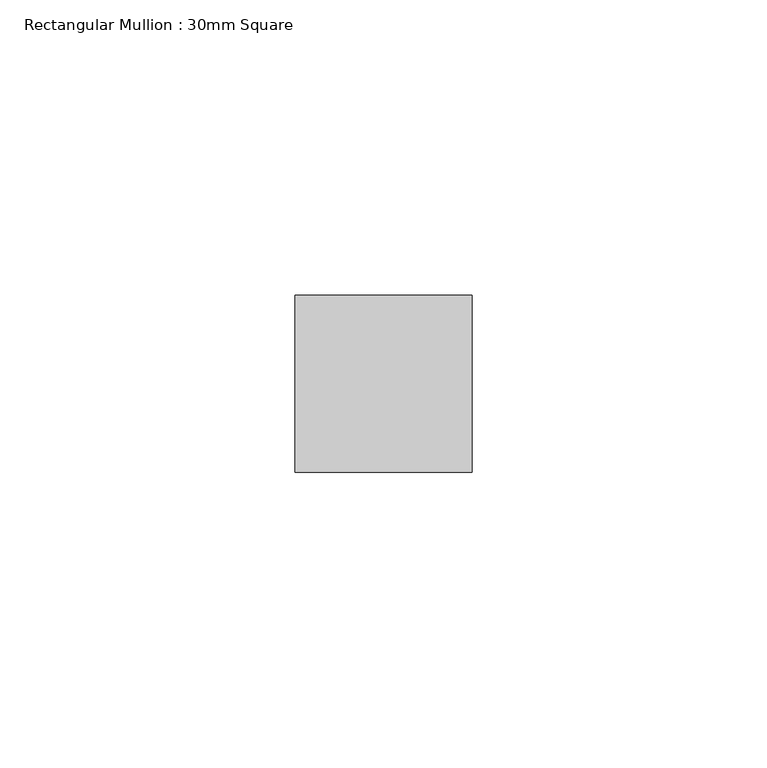
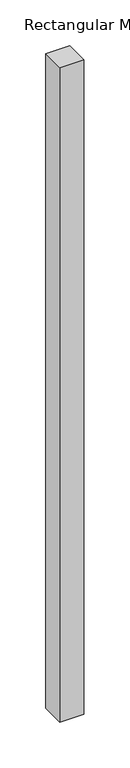
"""IFC4 building model written with IfcOpenShell, lengths in millimetres: member geometry, Rectangular Mullion : 30mm Square."""

import ifcopenshell
import ifcopenshell.guid

model = None  # the IFC model being written
_history = None  # IfcOwnerHistory: only IFC2X3 demands one
_inside = {}  # id of a spatial element -> (the spatial element, [elements in it])
_under = {}  # id of a project, library or spatial element -> (it, [spatial elements below it])
_declared = {}  # id of a project -> (the project, [libraries it declares])
_typed = {}  # id of a type object -> (the type object, [elements of that type])
_made_of = {}  # id of a material, layer set ... -> (it, [elements and type objects made of it])


def new_model(schema):
    """Start an empty IFC model of exactly this schema.

    Asked for "IFC4X3", IfcOpenShell would pick the latest addendum, in which some entities
    have other attributes; the version numbers below select the first issue.
    IFC2X3 requires an IfcOwnerHistory on every rooted entity: one is made here for all.
    """
    global model, _history
    if schema == "IFC4X3":
        model = ifcopenshell.file(schema_version=(4, 3, 0, 0))
    else:
        model = ifcopenshell.file(schema=schema)
    _inside.clear()
    _under.clear()
    _declared.clear()
    _typed.clear()
    _made_of.clear()
    _history = None
    if model.schema == "IFC2X3":
        org = make("IfcOrganization", Name="unknown")
        user = make(
            "IfcPersonAndOrganization",
            ThePerson=make("IfcPerson", FamilyName="unknown"),
            TheOrganization=org,
        )
        app = make(
            "IfcApplication",
            ApplicationDeveloper=org,
            Version="unknown",
            ApplicationFullName="unknown",
            ApplicationIdentifier="unknown",
        )
        _history = make(
            "IfcOwnerHistory",
            OwningUser=user,
            OwningApplication=app,
            ChangeAction="ADDED",
            CreationDate=0,
        )
    return model


def make(cls, **values):
    """One entity of the class cls with the attributes given. An attribute that is None is left unset."""
    return model.create_entity(
        cls, **{name: value for name, value in values.items() if value is not None}
    )


def rooted(cls, **values):
    """An entity with a GlobalId (a new one), such as an element, a storey or a relation."""
    return make(cls, GlobalId=ifcopenshell.guid.new(), OwnerHistory=_history, **values)


def si_unit(unit_type, name, prefix=None):
    """IfcSIUnit, for example si_unit("LENGTHUNIT", "METRE", prefix="MILLI")."""
    return make("IfcSIUnit", UnitType=unit_type, Prefix=prefix, Name=name)


def assignment(units):
    """IfcUnitAssignment: the units of a project."""
    return None if units is None else make("IfcUnitAssignment", Units=units)


def point(xyz):
    """IfcCartesianPoint."""
    return None if xyz is None else make("IfcCartesianPoint", Coordinates=xyz)


def direction(xyz):
    """IfcDirection."""
    return None if xyz is None else make("IfcDirection", DirectionRatios=xyz)


def frame(location, z_axis=None, x_axis=None):
    """IfcAxis2Placement3D, a coordinate frame: its origin and axes. An axis left out is left unset."""
    return make(
        "IfcAxis2Placement3D",
        Location=point(location),
        Axis=direction(z_axis),
        RefDirection=direction(x_axis),
    )


def origin():
    """The frame at (0, 0, 0) with its axes left unset."""
    return frame((0.0, 0.0, 0.0))


def place(relative_to, where):
    """IfcLocalPlacement: puts the frame where relative to a parent placement (None: the world)."""
    return make(
        "IfcLocalPlacement", PlacementRelTo=relative_to, RelativePlacement=where
    )


def context(
    kind, dimensions, precision=None, world=None, true_north=None, identifier=None
):
    """IfcGeometricRepresentationContext, for example the 3D "Model" context."""
    return make(
        "IfcGeometricRepresentationContext",
        ContextIdentifier=identifier,
        ContextType=kind,
        CoordinateSpaceDimension=dimensions,
        Precision=precision,
        WorldCoordinateSystem=world,
        TrueNorth=true_north,
    )


def project(units=None, contexts=None):
    """IfcProject with its units and contexts."""
    return rooted(
        "IfcProject",
        Name="project",
        RepresentationContexts=contexts,
        UnitsInContext=assignment(units),
    )


def spatial(cls, under=None, at=None, **own):
    """A site, building, storey or space (cls), placed at a placement, below another one or the project."""
    s = rooted(cls, ObjectPlacement=at, **own)
    if under is not None:
        _under.setdefault(under.id(), (under, []))[1].append(s)
    return s


def polyline(points):
    """IfcPolyline through the points."""
    return make("IfcPolyline", Points=[point(p) for p in points])


def outline(outer, holes=None, kind="AREA"):
    """IfcArbitraryClosedProfileDef: a profile drawn as a closed curve; with holes, ...WithVoids."""
    if holes is None:
        return make("IfcArbitraryClosedProfileDef", ProfileType=kind, OuterCurve=outer)
    return make(
        "IfcArbitraryProfileDefWithVoids",
        ProfileType=kind,
        OuterCurve=outer,
        InnerCurves=holes,
    )


def extrude(swept, where, along, depth):
    """IfcExtrudedAreaSolid: the profile swept, set in the frame where, extruded along a direction by depth."""
    return make(
        "IfcExtrudedAreaSolid",
        SweptArea=swept,
        Position=where,
        ExtrudedDirection=direction(along),
        Depth=depth,
    )


def shape(context_of_items, identifier, shape_type, items):
    """IfcShapeRepresentation: the items that make up one representation, for example the "Body"."""
    return make(
        "IfcShapeRepresentation",
        ContextOfItems=context_of_items,
        RepresentationIdentifier=identifier,
        RepresentationType=shape_type,
        Items=items,
    )


def source(mapping_origin, context_of_items, identifier, shape_type, items):
    """IfcRepresentationMap: a shape defined once, which mapped items show again and again."""
    return make(
        "IfcRepresentationMap",
        MappingOrigin=mapping_origin,
        MappedRepresentation=shape(context_of_items, identifier, shape_type, items),
    )


def transform(
    local_origin,
    x_axis=None,
    y_axis=None,
    z_axis=None,
    scale=None,
    scale2=None,
    scale3=None,
    uniform=True,
):
    """IfcCartesianTransformationOperator3D, or its non-uniform kind. x_axis, y_axis, z_axis: its Axis1, 2, 3."""
    if uniform:
        return make(
            "IfcCartesianTransformationOperator3D",
            Axis1=direction(x_axis),
            Axis2=direction(y_axis),
            LocalOrigin=point(local_origin),
            Scale=scale,
            Axis3=direction(z_axis),
        )
    return make(
        "IfcCartesianTransformationOperator3DnonUniform",
        Axis1=direction(x_axis),
        Axis2=direction(y_axis),
        LocalOrigin=point(local_origin),
        Scale=scale,
        Axis3=direction(z_axis),
        Scale2=scale2,
        Scale3=scale3,
    )


def mapped(mapping_source, mapping_target):
    """IfcMappedItem: shows the shape of a source again, moved by a transform."""
    return make(
        "IfcMappedItem", MappingSource=mapping_source, MappingTarget=mapping_target
    )


def made_of(thing, what):
    """Note that an element or type object is made of a material, layer set ...; save() writes the relation."""
    if what is not None:
        _made_of.setdefault(what.id(), (what, []))[1].append(thing)
    return thing


def element(
    cls,
    number,
    at=None,
    inside=None,
    cuts=None,
    type_object=None,
    material=None,
    context=None,
    identifier="Body",
    shape_type=None,
    held_by="IfcProductDefinitionShape",
    body=None,
    shapes=None,
    **own,
):
    """One element of the class cls, such as IfcWall. Its Tag is "e" and its number.

    at: its placement. inside: the storey or other place that contains it. cuts: it is an
    opening in that element (IfcRelVoidsElement). A single representation is given by context,
    identifier, shape_type and body (its items); several are given by shapes. held_by: the class
    of the entity that holds the representations. save() writes the other relations.
    """
    e = rooted(cls, Tag="e%d" % number, ObjectPlacement=at, **own)
    if body is not None:
        shapes = [shape(context, identifier, shape_type, body)]
    if shapes is not None:
        e.Representation = make(held_by, Representations=shapes)
    if inside is not None:
        _inside.setdefault(inside.id(), (inside, []))[1].append(e)
    if cuts is not None:
        rooted(
            "IfcRelVoidsElement", RelatingBuildingElement=cuts, RelatedOpeningElement=e
        )
    if type_object is not None:
        _typed.setdefault(type_object.id(), (type_object, []))[1].append(e)
    return made_of(e, material)


def aggregate(whole, parts):
    """IfcRelAggregates: a whole, such as a stair, and the parts it consists of."""
    return rooted("IfcRelAggregates", RelatingObject=whole, RelatedObjects=parts)


def save(model, path):
    """Write the relations noted so far, then the file.

    IfcRelAggregates (storeys below a building ...), IfcRelContainedInSpatialStructure (elements
    in a storey), IfcRelDefinesByType, IfcRelAssociatesMaterial and IfcRelDeclares: one each for
    every whole, place, type object, material and project.
    """
    for whole, parts in _under.values():
        aggregate(whole, parts)
    for where, things in _inside.values():
        rooted(
            "IfcRelContainedInSpatialStructure",
            RelatedElements=things,
            RelatingStructure=where,
        )
    for kind, things in _typed.values():
        rooted("IfcRelDefinesByType", RelatedObjects=things, RelatingType=kind)
    for what, things in _made_of.values():
        rooted("IfcRelAssociatesMaterial", RelatedObjects=things, RelatingMaterial=what)
    for by, libraries in _declared.values():
        rooted("IfcRelDeclares", RelatingContext=by, RelatedDefinitions=libraries)
    model.write(path)


def rectangular_mullion_30mm_square_526a5581(model_context):
    return source(origin(), model_context, "Body", "SweptSolid", [
        extrude(outline(polyline([(0.0, 15.0), (0.0, -15.0), (-30.0, -15.0), (-30.0, 15.0), (0.0, 15.0)])), frame((0.0, 0.0, -868.6234061), z_axis=(0.0, 0.0, 1.0), x_axis=(1.0, 0.0, 0.0)), (0.0, 0.0, 1.0), 868.6234061),
    ])


if __name__ == "__main__":
    model = new_model("IFC4")
    model_context = context("Model", 3, world=origin())
    ifc_project = project(units=[si_unit("LENGTHUNIT", "METRE", prefix="MILLI")], contexts=[model_context])
    site = spatial("IfcSite", under=ifc_project)
    building = spatial("IfcBuilding", under=site)
    placement = place(None, origin())
    rectangular_mullion_30mm_square_shape = rectangular_mullion_30mm_square_526a5581(model_context)
    element("IfcMember", 1, ObjectType="Rectangular Mullion : 30mm Square", at=placement, inside=building, context=model_context, shape_type="MappedRepresentation", body=[
        mapped(rectangular_mullion_30mm_square_shape, transform((0.0, 0.0, 0.0), x_axis=(1.0, 0.0, 0.0), y_axis=(0.0, 1.0, 0.0), z_axis=(0.0, 0.0, 1.0))),
    ])
    save(model, "model.ifc")
